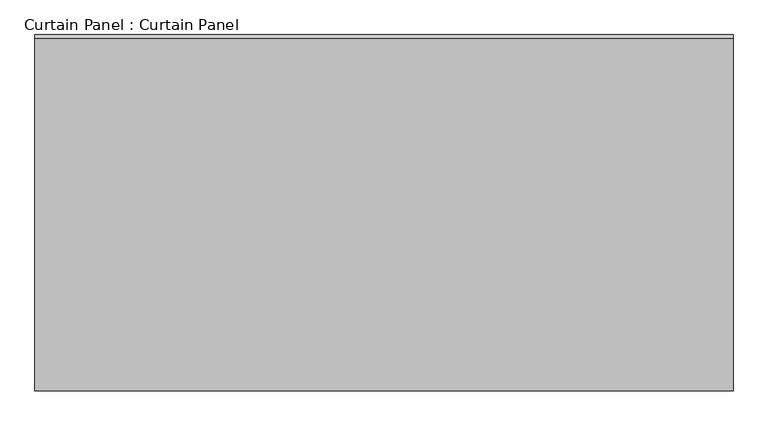
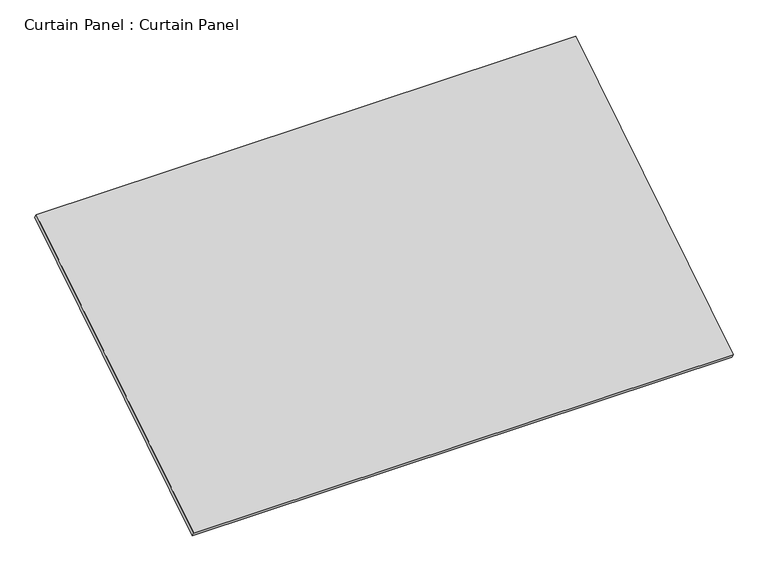
"""IFC4 building model written with IfcOpenShell, lengths in millimetres: plate geometry, Curtain Panel : Curtain Panel."""

from ifc_helpers import new_model, si_unit, frame, origin, place, context, project, spatial, polyline, outline, extrude, source, transform, mapped, element, save


def curtain_panel_curtain_panel_39de79dd(model_context):
    return source(origin(), model_context, "Body", "SweptSolid", [
        extrude(outline(polyline([(-63.5, 0.0), (-63.5, -1782.3356925), (-3048.0, -1782.3356925), (-3048.0, 0.0), (-63.5, 0.0)])), frame((-120718.6430895, 3817.3599492, 12045.6104005), z_axis=(0.0, -0.5318918435658209, 0.8468122972348432), x_axis=(-1.0, 0.0, 0.0)), (0.0, 0.0, 1.0), 25.4),
    ])


if __name__ == "__main__":
    model = new_model("IFC4")
    model_context = context("Model", 3, world=origin())
    ifc_project = project(units=[si_unit("LENGTHUNIT", "METRE", prefix="MILLI")], contexts=[model_context])
    site = spatial("IfcSite", under=ifc_project)
    building = spatial("IfcBuilding", under=site)
    placement = place(None, origin())
    curtain_panel_curtain_panel_shape = curtain_panel_curtain_panel_39de79dd(model_context)
    element("IfcPlate", 1, ObjectType="Curtain Panel : Curtain Panel", at=placement, inside=building, context=model_context, shape_type="MappedRepresentation", body=[
        mapped(curtain_panel_curtain_panel_shape, transform((0.0, 0.0, 0.0), x_axis=(1.0, 0.0, 0.0), y_axis=(0.0, 1.0, 0.0), z_axis=(0.0, 0.0, 1.0))),
    ])
    save(model, "model.ifc")
